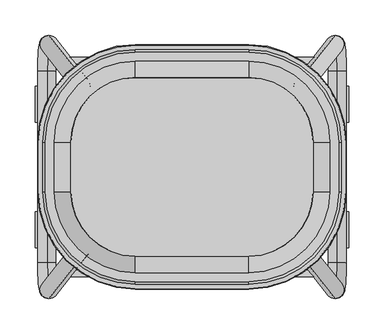
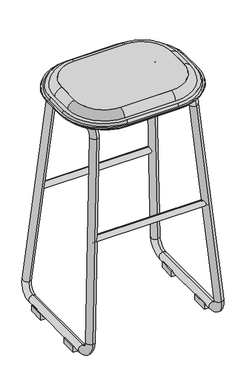
"""IFC4 building model written with IfcOpenShell, lengths in millimetres: furniture geometry."""

from ifc_helpers import new_model, si_unit, point, frame, frame_2d, origin, place, context, project, spatial, polyline, circle_curve, ellipse_curve, trimmed, segment, composite_curve, outline, extrude, source, transform, mapped, element, save
from ifc_brep_helpers import plane_surface, cylinder_surface, revolved_surface, advanced_brep


def furniture_339a647d(model_context):
    return source(origin(), model_context, "Body", "SolidModel", [
        advanced_brep(
        [(-171.9189031, -34.925, 774.7), (-80.1154768, -126.7284262, 774.7), (80.1154768, -126.7284262, 774.7), (171.9189031, -34.925, 774.7), (171.9189031, 34.925, 774.7), (80.1154768, 126.7284262, 774.7), (-80.1154768, 126.7284262, 774.7), (-171.9189031, 34.925, 774.7), (-178.5135382, -34.925, 730.2750418), (-178.5135382, 34.925, 730.2750418), (-80.1154768, 133.3230614, 730.2750418), (80.1154768, 133.3230614, 730.2750418), (178.5135382, 34.925, 730.2750418), (178.5135382, -34.925, 730.2750418), (80.1154768, -133.3230614, 730.2750418), (-80.1154768, -133.3230614, 730.2750418)],
        [
            (0, 1, circle_curve(frame((-80.1154768, -34.925, 774.7), z_axis=(0.0, 0.0, 1.0), x_axis=(-1.0000000000000002, 0.0, 0.0)), 91.8034262)),
            (1, 2),
            (2, 3, circle_curve(frame((80.1154768, -34.925, 774.7), z_axis=(0.0, 0.0, 1.0), x_axis=(0.0, -1.0000000000000002, 0.0)), 91.8034262)),
            (3, 4),
            (4, 5, circle_curve(frame((80.1154768, 34.925, 774.7), z_axis=(0.0, 0.0, 1.0), x_axis=(1.0000000000000002, 0.0, 0.0)), 91.8034262)),
            (5, 6),
            (6, 7, circle_curve(frame((-80.1154768, 34.925, 774.7), z_axis=(0.0, 0.0, 1.0), x_axis=(0.0, 1.0000000000000002, 0.0)), 91.8034262)),
            (7, 0),
            (8, 9),
            (9, 10, circle_curve(frame((-80.1154768, 34.925, 730.2750418), z_axis=(0.0, 0.0, -1.0), x_axis=(0.0, 1.0000000000000002, 0.0)), 98.3980614)),
            (10, 11),
            (11, 12, circle_curve(frame((80.1154768, 34.925, 730.2750418), z_axis=(0.0, 0.0, -1.0), x_axis=(1.0000000000000002, 0.0, 0.0)), 98.3980614)),
            (12, 13),
            (13, 14, circle_curve(frame((80.1154768, -34.925, 730.2750418), z_axis=(0.0, 0.0, -1.0), x_axis=(0.0, -1.0000000000000002, 0.0)), 98.3980614)),
            (14, 15),
            (15, 8, circle_curve(frame((-80.1154768, -34.925, 730.2750418), z_axis=(0.0, 0.0, -1.0), x_axis=(-1.0000000000000002, 0.0, 0.0)), 98.3980614)),
            (15, 1),
            (0, 8),
            (14, 2),
            (13, 3),
            (12, 4),
            (11, 5),
            (10, 6),
            (9, 7),
        ],
        [
            plane_surface(frame((0.0, 0.0, 774.7), z_axis=(0.0, 0.0, 1.0), x_axis=(1.0, 0.0, 0.0))),
            plane_surface(frame((0.0, 0.0, 730.2750418), z_axis=(0.0, 0.0, -1.0), x_axis=(1.0, 0.0, 0.0))),
            revolved_surface(polyline([(-171.91890304995738, -34.925, 774.7), (-178.5135382, -34.925, 730.2750418)]), (-80.1154768, -34.925, 1393.1365444), (0.0, 0.0, -1.0)),
            plane_surface(frame((0.0, -133.3230614, 730.2750418), z_axis=(0.0, -0.989160943328851, 0.14683537786507003), x_axis=(1.0, 0.0, 0.0))),
            revolved_surface(polyline([(80.1154768, -126.72842624995738, 774.7), (80.1154768, -133.3230614, 730.2750418)]), (80.1154768, -34.925, 1393.1365444), (0.0, 0.0, -1.0)),
            plane_surface(frame((178.5135382, 0.0, 730.2750418), z_axis=(0.9891609433288493, 0.0, 0.14683537786508108), x_axis=(0.0, 1.0, 0.0))),
            revolved_surface(polyline([(171.91890304995738, 34.925, 774.7), (178.5135382, 34.925, 730.2750418)]), (80.1154768, 34.925, 1393.1365444), (0.0, 0.0, -1.0)),
            plane_surface(frame((0.0, 133.3230614, 730.2750418), z_axis=(0.0, 0.9891609433288517, 0.14683537786506412), x_axis=(-1.0, 0.0, 0.0))),
            revolved_surface(polyline([(-80.1154768, 126.72842624995738, 774.7), (-80.1154768, 133.3230614, 730.2750418)]), (-80.1154768, 34.925, 1393.1365444), (0.0, 0.0, -1.0)),
            plane_surface(frame((-178.5135382, 0.0, 730.2750418), z_axis=(-0.989160943328849, 0.0, 0.14683537786508405), x_axis=(0.0, -1.0, 0.0))),
        ],
        [
            (0, [[1, 2, 3, 4, 5, 6, 7, 8]]),
            (1, [[9, 10, 11, 12, 13, 14, 15, 16]]),
            (2, [[-16, 17, -1, 18]]),
            (3, [[-15, 19, -2, -17]]),
            (4, [[-14, 20, -3, -19]]),
            (5, [[-13, 21, -4, -20]]),
            (6, [[-12, 22, -5, -21]]),
            (7, [[-11, 23, -6, -22]]),
            (8, [[-10, 24, -7, -23]]),
            (9, [[-9, -18, -8, -24]]),
        ],
    ),
        advanced_brep(
        [(80.1154768, 126.7284262, 774.7), (-80.1154768, 126.7284262, 774.7), (-80.1154768, 133.3230614, 730.2750418), (80.1154768, 133.3230614, 730.2750418), (80.1154768, 149.9409798, 753.7993229), (-80.1154768, 149.9409798, 753.7993229), (-80.1154768, 127.3919978, 774.7097382), (-207.8314566, 34.925, 753.7993229), (-207.8314566, -34.925, 753.7993229), (-80.1154768, -162.6409798, 753.7993229), (80.1154768, -162.6409798, 753.7993229), (207.8314566, -34.925, 753.7993229), (207.8314566, 34.925, 753.7993229), (80.1154768, 162.6409798, 753.7993229), (-80.1154768, 162.6409798, 753.7993229), (195.1314566, 34.925, 753.7993229), (195.1314566, -34.925, 753.7993229), (80.1154768, -149.9409798, 753.7993229), (-80.1154768, -149.9409798, 753.7993229), (-195.1314566, -34.925, 753.7993229), (-195.1314566, 34.925, 753.7993229), (80.1154768, 166.2791169, 745.9973126), (-80.1154768, 166.2791169, 745.9973126), (-217.8195937, 34.925, 745.9973126), (-217.8195937, -34.925, 745.9973126), (-80.1154768, -172.6291169, 745.9973126), (80.1154768, -172.6291169, 745.9973126), (217.8195937, -34.925, 745.9973126), (217.8195937, 34.925, 745.9973126), (80.1154768, 172.6291169, 745.9973126), (-80.1154768, 172.6291169, 745.9973126), (211.4695937, 34.925, 745.9973126), (211.4695937, -34.925, 745.9973126), (80.1154768, -166.2791169, 745.9973126), (-80.1154768, -166.2791169, 745.9973126), (-211.4695937, -34.925, 745.9973126), (-211.4695937, 34.925, 745.9973126), (80.1154768, 173.4175169, 743.0549637), (-80.1154768, 173.4175169, 743.0549637), (218.6079938, 34.925, 743.0549637), (218.6079938, -34.925, 743.0549637), (80.1154768, -173.4175169, 743.0549637), (-80.1154768, -173.4175169, 743.0549637), (-218.6079938, -34.925, 743.0549637), (-218.6079938, 34.925, 743.0549637), (-212.2579938, 34.925, 743.0549637), (-212.2579938, -34.925, 743.0549637), (-80.1154768, -167.0675169, 743.0549637), (80.1154768, -167.0675169, 743.0549637), (212.2579938, -34.925, 743.0549637), (212.2579938, 34.925, 743.0549637), (80.1154768, 167.0675169, 743.0549637), (-80.1154768, 167.0675169, 743.0549637), (80.1154768, 163.4840689, 733.2095211), (-80.1154768, 163.4840689, 733.2095211), (171.9189031, 34.925, 774.7), (178.5135382, 34.925, 730.2750418), (208.6745457, 34.925, 733.2095211), (171.9189031, -34.925, 774.7), (178.5135382, -34.925, 730.2750418), (208.6745457, -34.925, 733.2095211), (80.1154768, -126.7284262, 774.7), (80.1154768, -133.3230614, 730.2750418), (80.1154768, -163.4840689, 733.2095211), (-80.1154768, -133.3230614, 730.2750418), (-80.1154768, -126.7284262, 774.7), (-80.1154768, -163.4840689, 733.2095211), (-171.9189031, 34.925, 774.7), (-178.5135382, 34.925, 730.2750418), (-208.6745457, 34.925, 733.2095211), (-178.5135382, -34.925, 730.2750418), (-171.9189031, -34.925, 774.7), (-208.6745457, -34.925, 733.2095211)],
        [
            (0, 1),
            (1, 2),
            (2, 3),
            (3, 0),
            (0, 4, circle_curve(frame((80.1154768, 127.3919978, 752.0965561), z_axis=(-1.0, 0.0, 0.0), x_axis=(0.0, 1.0000000000000002, 0.0)), 22.6131821)),
            (4, 5),
            (5, 6, circle_curve(frame((-80.1154768, 127.3919978, 752.0965561), z_axis=(1.0, 0.0, 0.0), x_axis=(0.0, 1.0000000000000002, 0.0)), 22.6131821)),
            (6, 1, circle_curve(frame((-80.1154768, 127.3919978, 752.0965561), z_axis=(1.0, 0.0, 0.0), x_axis=(0.0, 1.0000000000000002, 0.0)), 22.6131821)),
            (7, 8),
            (8, 9, circle_curve(frame((-80.1154768, -34.925, 753.7993229), z_axis=(0.0, 0.0, 1.0), x_axis=(-1.0000000000000002, 0.0, 0.0)), 127.7159798)),
            (9, 10),
            (10, 11, circle_curve(frame((80.1154768, -34.925, 753.7993229), z_axis=(0.0, 0.0, 1.0), x_axis=(1.0000000000000002, 0.0, 0.0)), 127.7159798)),
            (11, 12),
            (12, 13, circle_curve(frame((80.1154768, 34.925, 753.7993229), z_axis=(0.0, 0.0, 1.0), x_axis=(1.0000000000000002, 0.0, 0.0)), 127.7159798)),
            (13, 14),
            (14, 7, circle_curve(frame((-80.1154768, 34.925, 753.7993229), z_axis=(0.0, 0.0, 1.0), x_axis=(-1.0000000000000002, 0.0, 0.0)), 127.7159798)),
            (4, 15, circle_curve(frame((80.1154768, 34.925, 753.7993229), z_axis=(0.0, 0.0, -1.0), x_axis=(1.0000000000000002, 0.0, 0.0)), 115.0159798)),
            (15, 16),
            (16, 17, circle_curve(frame((80.1154768, -34.925, 753.7993229), z_axis=(0.0, 0.0, -1.0), x_axis=(1.0000000000000002, 0.0, 0.0)), 115.0159798)),
            (17, 18),
            (18, 19, circle_curve(frame((-80.1154768, -34.925, 753.7993229), z_axis=(0.0, 0.0, -1.0), x_axis=(-1.0000000000000002, 0.0, 0.0)), 115.0159798)),
            (19, 20),
            (20, 5, circle_curve(frame((-80.1154768, 34.925, 753.7993229), z_axis=(0.0, 0.0, -1.0), x_axis=(-1.0000000000000002, 0.0, 0.0)), 115.0159798)),
            (13, 21, circle_curve(frame((80.1154768, 153.8392427, 744.9457548), z_axis=(-1.0, 0.0, 0.0), x_axis=(0.0, 1.0000000000000002, 0.0)), 12.4842398)),
            (21, 22),
            (22, 14, circle_curve(frame((-80.1154768, 153.8392427, 744.9457548), z_axis=(1.0, 0.0, 0.0), x_axis=(0.0, 1.0000000000000002, 0.0)), 12.4842398)),
            (23, 24),
            (24, 25, circle_curve(frame((-80.1154768, -34.925, 745.9973126), z_axis=(0.0, 0.0, 1.0), x_axis=(-1.0000000000000002, 0.0, 0.0)), 137.7041169)),
            (25, 26),
            (26, 27, circle_curve(frame((80.1154768, -34.925, 745.9973126), z_axis=(0.0, 0.0, 1.0), x_axis=(1.0000000000000002, 0.0, 0.0)), 137.7041169)),
            (27, 28),
            (28, 29, circle_curve(frame((80.1154768, 34.925, 745.9973126), z_axis=(0.0, 0.0, 1.0), x_axis=(1.0000000000000002, 0.0, 0.0)), 137.7041169)),
            (29, 30),
            (30, 23, circle_curve(frame((-80.1154768, 34.925, 745.9973126), z_axis=(0.0, 0.0, 1.0), x_axis=(-1.0000000000000002, 0.0, 0.0)), 137.7041169)),
            (21, 31, circle_curve(frame((80.1154768, 34.925, 745.9973126), z_axis=(0.0, 0.0, -1.0), x_axis=(1.0000000000000002, 0.0, 0.0)), 131.3541169)),
            (31, 32),
            (32, 33, circle_curve(frame((80.1154768, -34.925, 745.9973126), z_axis=(0.0, 0.0, -1.0), x_axis=(1.0000000000000002, 0.0, 0.0)), 131.3541169)),
            (33, 34),
            (34, 35, circle_curve(frame((-80.1154768, -34.925, 745.9973126), z_axis=(0.0, 0.0, -1.0), x_axis=(-1.0000000000000002, 0.0, 0.0)), 131.3541169)),
            (35, 36),
            (36, 22, circle_curve(frame((-80.1154768, 34.925, 745.9973126), z_axis=(0.0, 0.0, -1.0), x_axis=(-1.0000000000000002, 0.0, 0.0)), 131.3541169)),
            (29, 37),
            (37, 38),
            (38, 30),
            (37, 39, circle_curve(frame((80.1154768, 34.925, 743.0549637), z_axis=(0.0, 0.0, -1.0), x_axis=(1.0000000000000002, 0.0, 0.0)), 138.4925169)),
            (39, 40),
            (40, 41, circle_curve(frame((80.1154768, -34.925, 743.0549637), z_axis=(0.0, 0.0, -1.0), x_axis=(1.0000000000000002, 0.0, 0.0)), 138.4925169)),
            (41, 42),
            (42, 43, circle_curve(frame((-80.1154768, -34.925, 743.0549637), z_axis=(0.0, 0.0, -1.0), x_axis=(-1.0000000000000002, 0.0, 0.0)), 138.4925169)),
            (43, 44),
            (44, 38, circle_curve(frame((-80.1154768, 34.925, 743.0549637), z_axis=(0.0, 0.0, -1.0), x_axis=(-1.0000000000000002, 0.0, 0.0)), 138.4925169)),
            (45, 46),
            (46, 47, circle_curve(frame((-80.1154768, -34.925, 743.0549637), z_axis=(0.0, 0.0, 1.0), x_axis=(-1.0000000000000002, 0.0, 0.0)), 132.1425169)),
            (47, 48),
            (48, 49, circle_curve(frame((80.1154768, -34.925, 743.0549637), z_axis=(0.0, 0.0, 1.0), x_axis=(1.0000000000000002, 0.0, 0.0)), 132.1425169)),
            (49, 50),
            (50, 51, circle_curve(frame((80.1154768, 34.925, 743.0549637), z_axis=(0.0, 0.0, 1.0), x_axis=(1.0000000000000002, 0.0, 0.0)), 132.1425169)),
            (51, 52),
            (52, 45, circle_curve(frame((-80.1154768, 34.925, 743.0549637), z_axis=(0.0, 0.0, 1.0), x_axis=(-1.0000000000000002, 0.0, 0.0)), 132.1425169)),
            (51, 53, circle_curve(frame((80.1154768, 148.476041, 744.246852), z_axis=(-1.0, 0.0, 0.0), x_axis=(0.0, 1.0000000000000002, 0.0)), 18.6296423)),
            (53, 54),
            (54, 52, circle_curve(frame((-80.1154768, 148.476041, 744.246852), z_axis=(1.0, 0.0, 0.0), x_axis=(0.0, 1.0000000000000002, 0.0)), 18.6296423)),
            (2, 54),
            (53, 3),
            (0, 55, circle_curve(frame((80.1154768, 34.925, 774.7), z_axis=(0.0, 0.0, -1.0), x_axis=(1.0000000000000002, 0.0, 0.0)), 91.8034262)),
            (55, 15, circle_curve(frame((172.5824746, 34.925, 752.0965561), z_axis=(0.0, 1.0000000000000002, 0.0), x_axis=(0.0, 0.0, 1.0)), 22.6131821)),
            (3, 56, circle_curve(frame((80.1154768, 34.925, 730.2750418), z_axis=(0.0, 0.0, -1.0), x_axis=(1.0000000000000002, 0.0, 0.0)), 98.3980614)),
            (56, 55),
            (53, 57, circle_curve(frame((80.1154768, 34.925, 733.2095211), z_axis=(0.0, 0.0, -1.0), x_axis=(1.0000000000000002, 0.0, 0.0)), 128.5590689)),
            (57, 56),
            (50, 57, circle_curve(frame((193.6665179, 34.925, 744.246852), z_axis=(0.0, 1.0000000000000002, 0.0), x_axis=(0.0, 0.0, 1.0)), 18.6296423)),
            (28, 39),
            (12, 31, circle_curve(frame((199.0297195, 34.925, 744.9457548), z_axis=(0.0, 1.0000000000000002, 0.0), x_axis=(0.0, 0.0, 1.0)), 12.4842398)),
            (58, 55),
            (56, 59),
            (59, 58),
            (57, 60),
            (60, 59),
            (49, 60, circle_curve(frame((193.6665179, -34.925, 744.246852), z_axis=(0.0, 1.0, 0.0), x_axis=(0.0, 0.0, 1.0)), 18.6296423)),
            (27, 40),
            (11, 32, circle_curve(frame((199.0297195, -34.925, 744.9457548), z_axis=(0.0, 1.0, 0.0), x_axis=(0.0, 0.0, 1.0)), 12.4842398)),
            (58, 16, circle_curve(frame((172.5824746, -34.925, 752.0965561), z_axis=(0.0, 1.0, 0.0), x_axis=(0.0, 0.0, 1.0)), 22.6131821)),
            (58, 61, circle_curve(frame((80.1154768, -34.925, 774.7), z_axis=(0.0, 0.0, -1.0), x_axis=(1.0000000000000002, 0.0, 0.0)), 91.8034262)),
            (61, 17, circle_curve(frame((80.1154768, -127.3919978, 752.0965561), z_axis=(1.0000000000000002, 0.0, 0.0), x_axis=(0.0, 0.0, 1.0)), 22.6131821)),
            (59, 62, circle_curve(frame((80.1154768, -34.925, 730.2750418), z_axis=(0.0, 0.0, -1.0), x_axis=(1.0000000000000002, 0.0, 0.0)), 98.3980614)),
            (62, 61),
            (60, 63, circle_curve(frame((80.1154768, -34.925, 733.2095211), z_axis=(0.0, 0.0, -1.0), x_axis=(1.0000000000000002, 0.0, 0.0)), 128.5590689)),
            (63, 62),
            (48, 63, circle_curve(frame((80.1154768, -148.476041, 744.246852), z_axis=(1.0000000000000002, 0.0, 0.0), x_axis=(0.0, 0.0, 1.0)), 18.6296423)),
            (26, 41),
            (10, 33, circle_curve(frame((80.1154768, -153.8392427, 744.9457548), z_axis=(1.0000000000000002, 0.0, 0.0), x_axis=(0.0, 0.0, 1.0)), 12.4842398)),
            (62, 64),
            (64, 65),
            (65, 61),
            (65, 18, circle_curve(frame((-80.1154768, -127.3919978, 752.0965561), z_axis=(1.0, 0.0, 0.0), x_axis=(0.0, -1.0000000000000002, 0.0)), 22.6131821)),
            (9, 34, circle_curve(frame((-80.1154768, -153.8392427, 744.9457548), z_axis=(1.0, 0.0, 0.0), x_axis=(0.0, -1.0000000000000002, 0.0)), 12.4842398)),
            (25, 42),
            (47, 66, circle_curve(frame((-80.1154768, -148.476041, 744.246852), z_axis=(1.0, 0.0, 0.0), x_axis=(0.0, -1.0000000000000002, 0.0)), 18.6296423)),
            (66, 63),
            (66, 64),
            (20, 67, circle_curve(frame((-172.5824746, 34.925, 752.0965561), z_axis=(0.0, 1.0000000000000002, 0.0), x_axis=(0.0, 0.0, 1.0)), 22.6131821)),
            (67, 1, circle_curve(frame((-80.1154768, 34.925, 774.7), z_axis=(0.0, 0.0, -1.0), x_axis=(-1.0000000000000002, 0.0, 0.0)), 91.8034262)),
            (67, 68),
            (68, 2, circle_curve(frame((-80.1154768, 34.925, 730.2750418), z_axis=(0.0, 0.0, -1.0), x_axis=(-1.0000000000000002, 0.0, 0.0)), 98.3980614)),
            (68, 69),
            (69, 54, circle_curve(frame((-80.1154768, 34.925, 733.2095211), z_axis=(0.0, 0.0, -1.0), x_axis=(-1.0000000000000002, 0.0, 0.0)), 128.5590689)),
            (69, 45, circle_curve(frame((-193.6665179, 34.925, 744.246852), z_axis=(0.0, 1.0000000000000002, 0.0), x_axis=(0.0, 0.0, 1.0)), 18.6296423)),
            (44, 23),
            (36, 7, circle_curve(frame((-199.0297195, 34.925, 744.9457548), z_axis=(0.0, 1.0000000000000002, 0.0), x_axis=(0.0, 0.0, 1.0)), 12.4842398)),
            (70, 68),
            (67, 71),
            (71, 70),
            (70, 72),
            (72, 69),
            (72, 46, circle_curve(frame((-193.6665179, -34.925, 744.246852), z_axis=(0.0, 1.0, 0.0), x_axis=(0.0, 0.0, 1.0)), 18.6296423)),
            (43, 24),
            (35, 8, circle_curve(frame((-199.0297195, -34.925, 744.9457548), z_axis=(0.0, 1.0, 0.0), x_axis=(0.0, 0.0, 1.0)), 12.4842398)),
            (19, 71, circle_curve(frame((-172.5824746, -34.925, 752.0965561), z_axis=(0.0, 1.0, 0.0), x_axis=(0.0, 0.0, 1.0)), 22.6131821)),
            (65, 71, circle_curve(frame((-80.1154768, -34.925, 774.7), z_axis=(0.0, 0.0, -1.0), x_axis=(-1.0000000000000002, 0.0, 0.0)), 91.8034262)),
            (64, 70, circle_curve(frame((-80.1154768, -34.925, 730.2750418), z_axis=(0.0, 0.0, -1.0), x_axis=(-1.0000000000000002, 0.0, 0.0)), 98.3980614)),
            (66, 72, circle_curve(frame((-80.1154768, -34.925, 733.2095211), z_axis=(0.0, 0.0, -1.0), x_axis=(-1.0000000000000002, 0.0, 0.0)), 128.5590689)),
        ],
        [
            plane_surface(frame((80.1154768, 126.7284262, 774.7), z_axis=(0.0, -0.9891609433288518, -0.1468353778650639), x_axis=(-1.0, 0.0, 0.0))),
            cylinder_surface(frame((-80.1154768, 127.3919978, 752.0965561), z_axis=(1.0000000000000002, 0.0, 0.0), x_axis=(0.0, 1.0000000000000002, 0.0)), 22.6131821),
            plane_surface(frame((80.1154768, 162.6409798, 753.7993229), z_axis=(0.0, 0.0, 1.0), x_axis=(-1.0, 0.0, 0.0))),
            cylinder_surface(frame((-80.1154768, 153.8392427, 744.9457548), z_axis=(1.0000000000000002, 0.0, 0.0), x_axis=(0.0, 1.0000000000000002, 0.0)), 12.4842398),
            plane_surface(frame((80.1154768, 172.6291169, 745.9973126), z_axis=(0.0, 0.0, 1.0), x_axis=(-1.0, 0.0, 0.0))),
            plane_surface(frame((80.1154768, 173.4175169, 743.0549637), z_axis=(0.0, 0.9659258262890752, 0.2588190451024952), x_axis=(-1.0, 0.0, 0.0))),
            plane_surface(frame((80.1154768, 167.0675169, 743.0549637), z_axis=(0.0, 0.0, -1.0), x_axis=(-1.0, 0.0, 0.0))),
            cylinder_surface(frame((-80.1154768, 148.476041, 744.246852), z_axis=(1.0000000000000002, 0.0, 0.0), x_axis=(0.0, 1.0000000000000002, 0.0)), 18.6296423),
            plane_surface(frame((80.1154768, 133.3230614, 730.2750418), z_axis=(0.0, 0.09683655773188508, -0.9953002969388883), x_axis=(-1.0, 0.0, 0.0))),
            revolved_surface(trimmed(ellipse_curve(frame((172.5824746, 34.925, 752.0965561), z_axis=(0.0, -1.0000000000000002, 0.0), x_axis=(0.0, 0.0, 1.0)), 22.6131821, 22.6131821), [point((195.1314566, 34.925, 753.7993229))], [point((171.9189031, 34.925, 774.7))], True, "CARTESIAN"), (80.1154768, 34.925, 866.2574778), (0.0, 0.0, 1.0)),
            revolved_surface(polyline([(171.9189031, 34.925, 774.7), (178.5135382, 34.925, 730.2750418)]), (80.1154768, 34.925, 866.2574778), (0.0, 0.0, 1.0)),
            revolved_surface(polyline([(178.5135382, 34.925, 730.2750418), (208.6745457, 34.925, 733.2095211)]), (80.1154768, 34.925, 866.2574778), (0.0, 0.0, 1.0)),
            revolved_surface(trimmed(ellipse_curve(frame((193.6665179, 34.925, 744.246852), z_axis=(0.0, -1.0000000000000002, 0.0), x_axis=(0.0, 0.0, 1.0)), 18.6296423, 18.6296423), [point((208.6745457, 34.925, 733.2095211))], [point((212.2579938, 34.925, 743.0549637))], True, "CARTESIAN"), (80.1154768, 34.925, 866.2574778), (0.0, 0.0, 1.0)),
            revolved_surface(polyline([(218.6079938, 34.925, 743.0549637), (217.8195937, 34.925, 745.9973126)]), (80.1154768, 34.925, 866.2574778), (0.0, 0.0, 1.0)),
            revolved_surface(trimmed(ellipse_curve(frame((199.0297195, 34.925, 744.9457548), z_axis=(0.0, -1.0000000000000002, 0.0), x_axis=(0.0, 0.0, 1.0)), 12.4842398, 12.4842398), [point((211.4695937, 34.925, 745.9973126))], [point((207.8314566, 34.925, 753.7993229))], True, "CARTESIAN"), (80.1154768, 34.925, 866.2574778), (0.0, 0.0, 1.0)),
            plane_surface(frame((171.9189031, -34.925, 774.7), z_axis=(-0.9891609433288493, 0.0, -0.14683537786508108), x_axis=(0.0, 1.0, 0.0))),
            plane_surface(frame((178.5135382, -34.925, 730.2750418), z_axis=(0.09683655773190229, 0.0, -0.9953002969388867), x_axis=(0.0, 1.0, 0.0))),
            cylinder_surface(frame((193.6665179, 34.925, 744.246852), z_axis=(0.0, -1.0000000000000002, 0.0), x_axis=(0.0, 0.0, 1.0)), 18.6296423),
            plane_surface(frame((218.6079938, -34.925, 743.0549637), z_axis=(0.9659258262890694, 0.0, 0.2588190451025166), x_axis=(0.0, 1.0, 0.0))),
            cylinder_surface(frame((199.0297195, 34.925, 744.9457548), z_axis=(0.0, -1.0000000000000002, 0.0), x_axis=(0.0, 0.0, 1.0)), 12.4842398),
            cylinder_surface(frame((172.5824746, 34.925, 752.0965561), z_axis=(0.0, -1.0000000000000002, 0.0), x_axis=(0.0, 0.0, 1.0)), 22.6131821),
            revolved_surface(trimmed(ellipse_curve(frame((172.5824746, -34.925, 752.0965561), z_axis=(0.0, 1.0000000000000002, 0.0), x_axis=(0.0, 0.0, 1.0)), 22.6131821, 22.6131821), [point((171.9189031, -34.925, 774.7))], [point((195.1314566, -34.925, 753.7993229))], True, "CARTESIAN"), (80.1154768, -34.925, 866.2574778), (0.0, 0.0, -1.0)),
            revolved_surface(polyline([(178.5135382, -34.925, 730.2750418), (171.9189031, -34.925, 774.7)]), (80.1154768, -34.925, 866.2574778), (0.0, 0.0, -1.0)),
            revolved_surface(polyline([(208.6745457, -34.925, 733.2095211), (178.5135382, -34.925, 730.2750418)]), (80.1154768, -34.925, 866.2574778), (0.0, 0.0, -1.0)),
            revolved_surface(trimmed(ellipse_curve(frame((193.6665179, -34.925, 744.246852), z_axis=(0.0, 1.0000000000000002, 0.0), x_axis=(0.0, 0.0, 1.0)), 18.6296423, 18.6296423), [point((212.2579938, -34.925, 743.0549637))], [point((208.6745457, -34.925, 733.2095211))], True, "CARTESIAN"), (80.1154768, -34.925, 866.2574778), (0.0, 0.0, -1.0)),
            revolved_surface(polyline([(217.8195937, -34.925, 745.9973126), (218.6079938, -34.925, 743.0549637)]), (80.1154768, -34.925, 866.2574778), (0.0, 0.0, -1.0)),
            revolved_surface(trimmed(ellipse_curve(frame((199.0297195, -34.925, 744.9457548), z_axis=(0.0, 1.0000000000000002, 0.0), x_axis=(0.0, 0.0, 1.0)), 12.4842398, 12.4842398), [point((207.8314566, -34.925, 753.7993229))], [point((211.4695937, -34.925, 745.9973126))], True, "CARTESIAN"), (80.1154768, -34.925, 866.2574778), (0.0, 0.0, -1.0)),
            plane_surface(frame((80.1154768, -133.3230614, 730.2750418), z_axis=(0.0, 0.9891609433288518, -0.14683537786506393), x_axis=(-1.0, 0.0, 0.0))),
            cylinder_surface(frame((-80.1154768, -127.3919978, 752.0965561), z_axis=(1.0000000000000002, 0.0, 0.0), x_axis=(0.0, -1.0000000000000002, 0.0)), 22.6131821),
            cylinder_surface(frame((-80.1154768, -153.8392427, 744.9457548), z_axis=(1.0000000000000002, 0.0, 0.0), x_axis=(0.0, -1.0000000000000002, 0.0)), 12.4842398),
            plane_surface(frame((80.1154768, -172.6291169, 745.9973126), z_axis=(0.0, -0.9659258262890752, 0.2588190451024952), x_axis=(-1.0, 0.0, 0.0))),
            cylinder_surface(frame((-80.1154768, -148.476041, 744.246852), z_axis=(1.0000000000000002, 0.0, 0.0), x_axis=(0.0, -1.0000000000000002, 0.0)), 18.6296423),
            plane_surface(frame((80.1154768, -163.4840689, 733.2095211), z_axis=(0.0, -0.0968365577318848, -0.9953002969388883), x_axis=(-1.0, 0.0, 0.0))),
            revolved_surface(trimmed(ellipse_curve(frame((-172.5824746, 34.925, 752.0965561), z_axis=(0.0, -1.0000000000000002, 0.0), x_axis=(0.0, 0.0, 1.0)), 22.6131821, 22.6131821), [point((-171.9189031, 34.925, 774.7))], [point((-195.1314566, 34.925, 753.7993229))], True, "CARTESIAN"), (-80.1154768, 34.925, 866.2574778), (0.0, 0.0, -1.0)),
            revolved_surface(polyline([(-178.5135382, 34.925, 730.2750418), (-171.9189031, 34.925, 774.7)]), (-80.1154768, 34.925, 866.2574778), (0.0, 0.0, -1.0)),
            revolved_surface(polyline([(-208.6745457, 34.925, 733.2095211), (-178.5135382, 34.925, 730.2750418)]), (-80.1154768, 34.925, 866.2574778), (0.0, 0.0, -1.0)),
            revolved_surface(trimmed(ellipse_curve(frame((-193.6665179, 34.925, 744.246852), z_axis=(0.0, -1.0000000000000002, 0.0), x_axis=(0.0, 0.0, 1.0)), 18.6296423, 18.6296423), [point((-212.2579938, 34.925, 743.0549637))], [point((-208.6745457, 34.925, 733.2095211))], True, "CARTESIAN"), (-80.1154768, 34.925, 866.2574778), (0.0, 0.0, -1.0)),
            revolved_surface(polyline([(-217.8195937, 34.925, 745.9973126), (-218.6079938, 34.925, 743.0549637)]), (-80.1154768, 34.925, 866.2574778), (0.0, 0.0, -1.0)),
            revolved_surface(trimmed(ellipse_curve(frame((-199.0297195, 34.925, 744.9457548), z_axis=(0.0, -1.0000000000000002, 0.0), x_axis=(0.0, 0.0, 1.0)), 12.4842398, 12.4842398), [point((-207.8314566, 34.925, 753.7993229))], [point((-211.4695937, 34.925, 745.9973126))], True, "CARTESIAN"), (-80.1154768, 34.925, 866.2574778), (0.0, 0.0, -1.0)),
            plane_surface(frame((-178.5135382, -34.925, 730.2750418), z_axis=(0.9891609433288493, 0.0, -0.14683537786508108), x_axis=(0.0, 1.0, 0.0))),
            plane_surface(frame((-208.6745457, -34.925, 733.2095211), z_axis=(-0.09683655773190229, 0.0, -0.9953002969388867), x_axis=(0.0, 1.0, 0.0))),
            cylinder_surface(frame((-193.6665179, 34.925, 744.246852), z_axis=(0.0, -1.0000000000000002, 0.0), x_axis=(0.0, 0.0, 1.0)), 18.6296423),
            plane_surface(frame((-217.8195937, -34.925, 745.9973126), z_axis=(-0.9659258262890694, 0.0, 0.2588190451025166), x_axis=(0.0, 1.0, 0.0))),
            cylinder_surface(frame((-199.0297195, 34.925, 744.9457548), z_axis=(0.0, -1.0000000000000002, 0.0), x_axis=(0.0, 0.0, 1.0)), 12.4842398),
            cylinder_surface(frame((-172.5824746, 34.925, 752.0965561), z_axis=(0.0, -1.0000000000000002, 0.0), x_axis=(0.0, 0.0, 1.0)), 22.6131821),
            revolved_surface(trimmed(ellipse_curve(frame((-172.5824746, -34.925, 752.0965561), z_axis=(0.0, 1.0000000000000002, 0.0), x_axis=(0.0, 0.0, 1.0)), 22.6131821, 22.6131821), [point((-195.1314566, -34.925, 753.7993229))], [point((-171.9189031, -34.925, 774.7))], True, "CARTESIAN"), (-80.1154768, -34.925, 866.2574778), (0.0, 0.0, 1.0)),
            revolved_surface(polyline([(-171.9189031, -34.925, 774.7), (-178.5135382, -34.925, 730.2750418)]), (-80.1154768, -34.925, 866.2574778), (0.0, 0.0, 1.0)),
            revolved_surface(polyline([(-178.5135382, -34.925, 730.2750418), (-208.6745457, -34.925, 733.2095211)]), (-80.1154768, -34.925, 866.2574778), (0.0, 0.0, 1.0)),
            revolved_surface(trimmed(ellipse_curve(frame((-193.6665179, -34.925, 744.246852), z_axis=(0.0, 1.0000000000000002, 0.0), x_axis=(0.0, 0.0, 1.0)), 18.6296423, 18.6296423), [point((-208.6745457, -34.925, 733.2095211))], [point((-212.2579938, -34.925, 743.0549637))], True, "CARTESIAN"), (-80.1154768, -34.925, 866.2574778), (0.0, 0.0, 1.0)),
            revolved_surface(polyline([(-218.6079938, -34.925, 743.0549637), (-217.8195937, -34.925, 745.9973126)]), (-80.1154768, -34.925, 866.2574778), (0.0, 0.0, 1.0)),
            revolved_surface(trimmed(ellipse_curve(frame((-199.0297195, -34.925, 744.9457548), z_axis=(0.0, 1.0000000000000002, 0.0), x_axis=(0.0, 0.0, 1.0)), 12.4842398, 12.4842398), [point((-211.4695937, -34.925, 745.9973126))], [point((-207.8314566, -34.925, 753.7993229))], True, "CARTESIAN"), (-80.1154768, -34.925, 866.2574778), (0.0, 0.0, 1.0)),
        ],
        [
            (0, [[1, 2, 3, 4]]),
            (1, [[-1, 5, 6, 7, 8]]),
            (2, [[9, 10, 11, 12, 13, 14, 15, 16], [-6, 17, 18, 19, 20, 21, 22, 23]]),
            (3, [[-15, 24, 25, 26]]),
            (4, [[27, 28, 29, 30, 31, 32, 33, 34], [-25, 35, 36, 37, 38, 39, 40, 41]]),
            (5, [[-33, 42, 43, 44]]),
            (6, [[-43, 45, 46, 47, 48, 49, 50, 51], [52, 53, 54, 55, 56, 57, 58, 59]]),
            (7, [[-58, 60, 61, 62]]),
            (8, [[-3, 63, -61, 64]]),
            (9, [[65, 66, -17, -5]]),
            (10, [[-65, -4, 67, 68]]),
            (11, [[-67, -64, 69, 70]]),
            (12, [[-69, -60, -57, 71]]),
            (13, [[-45, -42, -32, 72]]),
            (14, [[-35, -24, -14, 73]]),
            (15, [[74, -68, 75, 76]]),
            (16, [[-75, -70, 77, 78]]),
            (17, [[-77, -71, -56, 79]]),
            (18, [[-46, -72, -31, 80]]),
            (19, [[-36, -73, -13, 81]]),
            (20, [[-74, 82, -18, -66]]),
            (21, [[-19, -82, 83, 84]]),
            (22, [[-83, -76, 85, 86]]),
            (23, [[-85, -78, 87, 88]]),
            (24, [[-87, -79, -55, 89]]),
            (25, [[-47, -80, -30, 90]]),
            (26, [[-37, -81, -12, 91]]),
            (27, [[92, 93, 94, -86]]),
            (28, [[-94, 95, -20, -84]]),
            (29, [[-11, 96, -38, -91]]),
            (30, [[-29, 97, -48, -90]]),
            (31, [[-54, 98, 99, -89]]),
            (32, [[-92, -88, -99, 100]]),
            (33, [[-23, 101, 102, -8, -7]]),
            (34, [[-102, 103, 104, -2]]),
            (35, [[-104, 105, 106, -63]]),
            (36, [[-106, 107, -59, -62]]),
            (37, [[-51, 108, -34, -44]]),
            (38, [[-41, 109, -16, -26]]),
            (39, [[110, -103, 111, 112]]),
            (40, [[-110, 113, 114, -105]]),
            (41, [[-114, 115, -52, -107]]),
            (42, [[-50, 116, -27, -108]]),
            (43, [[-40, 117, -9, -109]]),
            (44, [[-111, -101, -22, 118]]),
            (45, [[119, -118, -21, -95]]),
            (46, [[-119, -93, 120, -112]]),
            (47, [[-120, -100, 121, -113]]),
            (48, [[-121, -98, -53, -115]]),
            (49, [[-49, -97, -28, -116]]),
            (50, [[-39, -96, -10, -117]]),
        ],
    ),
        extrude(outline(composite_curve([segment(polyline([(19.05, 190.5), (0.0, 190.5), (0.0, 222.25), (19.05, 222.25), (19.05, 219.075)]), True, "CONTINUOUS"), segment(trimmed(circle_curve(frame_2d((19.05, 206.375)), 12.7), [point((19.05, 219.075))], [point((19.05, 193.675))], True, "CARTESIAN"), True, "CONTINUOUS"), segment(polyline([(19.05, 193.675), (19.05, 190.5)]), True, "CONTINUOUS")], self_intersect=False)), frame((0.0, -114.3, 0.0), z_axis=(0.0, 1.0, 0.0), x_axis=(0.0, 0.0, 1.0)), (0.0, 0.0, 1.0), 50.8),
        extrude(outline(composite_curve([segment(polyline([(19.05, 190.5), (0.0, 190.5), (0.0, 222.25), (19.05, 222.25), (19.05, 219.075)]), True, "CONTINUOUS"), segment(trimmed(circle_curve(frame_2d((19.05, 206.375)), 12.7), [point((19.05, 219.075))], [point((19.05, 193.675))], True, "CARTESIAN"), True, "CONTINUOUS"), segment(polyline([(19.05, 193.675), (19.05, 190.5)]), True, "CONTINUOUS")], self_intersect=False)), frame((0.0, 63.5, 0.0), z_axis=(0.0, 1.0, 0.0), x_axis=(0.0, 0.0, 1.0)), (0.0, 0.0, 1.0), 50.8),
        extrude(outline(composite_curve([segment(polyline([(19.05, -190.5), (19.05, -193.675)]), True, "CONTINUOUS"), segment(trimmed(circle_curve(frame_2d((19.05, -206.375)), 12.7), [point((19.05, -193.675))], [point((19.05, -219.075))], True, "CARTESIAN"), True, "CONTINUOUS"), segment(polyline([(19.05, -219.075), (19.05, -222.25), (0.0, -222.25), (0.0, -190.5), (19.05, -190.5)]), True, "CONTINUOUS")], self_intersect=False)), frame((0.0, -114.3, 0.0), z_axis=(0.0, 1.0, 0.0), x_axis=(0.0, 0.0, 1.0)), (0.0, 0.0, 1.0), 50.8),
        extrude(outline(composite_curve([segment(polyline([(19.05, -190.5), (19.05, -193.675)]), True, "CONTINUOUS"), segment(trimmed(circle_curve(frame_2d((19.05, -206.375)), 12.7), [point((19.05, -193.675))], [point((19.05, -219.075))], True, "CARTESIAN"), True, "CONTINUOUS"), segment(polyline([(19.05, -219.075), (19.05, -222.25), (0.0, -222.25), (0.0, -190.5), (19.05, -190.5)]), True, "CONTINUOUS")], self_intersect=False)), frame((0.0, 63.5, 0.0), z_axis=(0.0, 1.0, 0.0), x_axis=(0.0, 0.0, 1.0)), (0.0, 0.0, 1.0), 50.8),
        extrude(outline(composite_curve([segment(trimmed(circle_curve(frame_2d((146.05, 381.0)), 9.525), [point((146.05, 371.475))], [point((146.05, 390.525))], False, "CARTESIAN"), True, "CONTINUOUS"), segment(trimmed(circle_curve(frame_2d((146.05, 381.0)), 9.525), [point((146.05, 390.525))], [point((146.05, 371.475))], False, "CARTESIAN"), True, "CONTINUOUS")], self_intersect=False)), frame((-181.0934619, 0.0, 0.0), z_axis=(1.0, 0.0, 0.0), x_axis=(0.0, 1.0, 0.0)), (0.0, 0.0, 1.0), 362.2632643),
        extrude(outline(composite_curve([segment(trimmed(circle_curve(frame_2d((-146.05, 381.0)), 9.525), [point((-146.05, 371.475))], [point((-146.05, 390.525))], False, "CARTESIAN"), True, "CONTINUOUS"), segment(trimmed(circle_curve(frame_2d((-146.05, 381.0)), 9.525), [point((-146.05, 390.525))], [point((-146.05, 371.475))], False, "CARTESIAN"), True, "CONTINUOUS")], self_intersect=False)), frame((-181.0934619, 0.0, 0.0), z_axis=(1.0, 0.0, 0.0), x_axis=(0.0, 1.0, 0.0)), (0.0, 0.0, 1.0), 362.2632643),
        advanced_brep(
        [(206.8878631, -136.0922452, 7.6863711), (202.9065849, -186.6850447, 62.9266063), (203.0713295, -161.388645, 60.6407759), (205.0619686, -136.0922452, 33.0206583), (205.0619686, 136.0601329, 33.0206583), (206.8878631, 136.0601329, 7.6863711), (202.9037974, 186.6494044, 62.9652827), (203.0699357, 161.3547687, 60.6601141), (157.3322626, 103.2206117, 695.2703289), (157.1661243, 128.5152474, 697.5754975), (154.6764899, 90.5732939, 732.1191754), (156.5023844, 90.5732939, 706.7848882), (156.5023844, -91.0971207, 706.7848882), (154.6764899, -91.0971207, 732.1191754), (157.1682149, -129.0417203, 697.5464902), (157.3329594, -103.7453205, 695.2606598)],
        [
            (0, 1, circle_curve(frame((203.236074, -136.0922452, 58.3549455), z_axis=(-0.9974128827217472, 0.0, -0.07188561316907627), x_axis=(-0.006486005276111782, -0.9959212486506532, 0.08999332320612442)), 50.8)),
            (1, 2, circle_curve(frame((202.9889572, -174.0368448, 61.7836911), z_axis=(0.07159240962736407, -0.09022675039102147, -0.99334468358049), x_axis=(0.006486005276111794, 0.9959212486506532, -0.08999332320612427)), 12.7)),
            (2, 3, circle_curve(frame((203.236074, -136.0922452, 58.3549455), z_axis=(0.9974128827217472, 0.0, 0.07188561316907627), x_axis=(-0.006486005276111782, -0.9959212486506532, 0.08999332320612442)), 25.4)),
            (3, 0, circle_curve(frame((205.9749159, -136.0922452, 20.3535147), z_axis=(0.0, -1.0, 0.0), x_axis=(-0.07188561316907624, 0.0, 0.9974128827217471)), 12.7)),
            (2, 1, circle_curve(frame((202.9889572, -174.0368448, 61.7836911), z_axis=(0.07159240962736407, -0.09022675039102147, -0.99334468358049), x_axis=(0.006486005276111794, 0.9959212486506532, -0.08999332320612427)), 12.7)),
            (0, 3, circle_curve(frame((205.9749159, -136.0922452, 20.3535147), z_axis=(0.0, -0.9999999999999999, 0.0), x_axis=(-0.07188561316907625, 0.0, 0.9974128827217471)), 12.7)),
            (3, 4),
            (4, 5, circle_curve(frame((205.9749159, 136.0601329, 20.3535147), z_axis=(0.0, -1.0, 0.0), x_axis=(-0.07188561316907625, 0.0, 0.9974128827217472)), 12.7)),
            (5, 0),
            (5, 4, circle_curve(frame((205.9749159, 136.0601329, 20.3535147), z_axis=(0.0, -1.0, 0.0), x_axis=(-0.07188561316907625, 0.0, 0.9974128827217472)), 12.7)),
            (6, 5, circle_curve(frame((203.236074, 136.0601329, 58.3549455), z_axis=(-0.9974128827217472, 0.0, -0.07188561316907627), x_axis=(0.07188561316907627, 0.0, -0.9974128827217472)), 50.8)),
            (4, 7, circle_curve(frame((203.236074, 136.0601329, 58.3549455), z_axis=(0.9974128827217472, 0.0, 0.07188561316907627), x_axis=(0.07188561316907627, 0.0, -0.9974128827217472)), 25.4)),
            (7, 6, circle_curve(frame((202.9868666, 174.0020865, 61.8126984), z_axis=(0.07158741724427715, 0.09099007148409771, -0.9932754142651535), x_axis=(0.006540877080932459, -0.9958517996626399, -0.09075466949801175)), 12.7)),
            (6, 7, circle_curve(frame((202.9868666, 174.0020865, 61.8126984), z_axis=(0.07158741724427799, 0.09099007148397123, -0.9932754142651652), x_axis=(0.0065408770809233675, -0.9958517996626516, -0.09075466949788559)), 12.7)),
            (7, 8),
            (8, 9, circle_curve(frame((157.2491934, 115.8679296, 696.4229132), z_axis=(0.07158741724427878, 0.09099007148384528, -0.9932754142651766), x_axis=(0.006540877080914306, -0.995851799662663, -0.09075466949775997)), 12.7)),
            (9, 6),
            (9, 8, circle_curve(frame((157.2491934, 115.8679296, 696.4229132), z_axis=(0.07158741724427878, 0.09099007148384528, -0.9932754142651766), x_axis=(0.006540877080914306, -0.995851799662663, -0.09075466949775997)), 12.7)),
            (10, 9, circle_curve(frame((157.4153317, 90.5732939, 694.1177446), z_axis=(-0.9974128827217472, 0.0, -0.07188561316907627), x_axis=(-0.006540877080914406, 0.9958517996626629, 0.09075466949776144)), 38.1)),
            (8, 11, circle_curve(frame((157.4153317, 90.5732939, 694.1177446), z_axis=(0.9974128827217472, 0.0, 0.07188561316907627), x_axis=(-0.006540877080914406, 0.9958517996626629, 0.09075466949776144)), 12.7)),
            (11, 10, circle_curve(frame((155.5894371, 90.5732939, 719.4520318), z_axis=(0.0, 1.0, 0.0), x_axis=(0.07188561316907627, 0.0, -0.9974128827217472)), 12.7)),
            (10, 11, circle_curve(frame((155.5894371, 90.5732939, 719.4520318), z_axis=(0.0, 1.0, 0.0), x_axis=(0.07188561316907627, 0.0, -0.9974128827217472)), 12.7)),
            (11, 12),
            (12, 13, circle_curve(frame((155.5894371, -91.0971207, 719.4520318), z_axis=(0.0, 1.0, 0.0), x_axis=(0.0718856131690763, 0.0, -0.9974128827217472)), 12.7)),
            (13, 10),
            (13, 12, circle_curve(frame((155.5894371, -91.0971207, 719.4520318), z_axis=(0.0, 1.0, 0.0), x_axis=(0.0718856131690763, 0.0, -0.9974128827217472)), 12.7)),
            (14, 13, circle_curve(frame((157.4153317, -91.0971207, 694.1177446), z_axis=(-0.9974128827217472, 0.0, -0.07188561316907627), x_axis=(-0.07188561316907627, 0.0, 0.9974128827217472)), 38.1)),
            (12, 15, circle_curve(frame((157.4153317, -91.0971207, 694.1177446), z_axis=(0.9974128827217472, 0.0, 0.07188561316907627), x_axis=(-0.07188561316907627, 0.0, 0.9974128827217472)), 12.7)),
            (15, 14, circle_curve(frame((157.2505872, -116.3935204, 696.403575), z_axis=(-0.07159240962736417, 0.09022675039101441, 0.9933446835804907), x_axis=(0.006486005276111291, 0.9959212486506539, -0.08999332320611722)), 12.7)),
            (14, 15, circle_curve(frame((157.2505872, -116.3935204, 696.403575), z_axis=(-0.07159240962736413, 0.09022675039101861, 0.9933446835804902), x_axis=(0.006486005276111593, 0.9959212486506535, -0.08999332320612143)), 12.7)),
            (15, 2),
            (1, 14),
        ],
        [
            revolved_surface(trimmed(ellipse_curve(frame((202.9889572, -174.0368448, 61.7836911), z_axis=(-0.07159240962736407, 0.09022675039102147, 0.99334468358049), x_axis=(0.006486005276111794, 0.9959212486506532, -0.08999332320612427)), 12.7, 12.7), [point((203.0713295, -161.388645, 60.6407759))], [point((202.9065849, -186.6850447, 62.9266063))], True, "CARTESIAN"), (202.3749501, -136.0922452, 58.2928825), (0.9974128827217472, 0.0, 0.07188561316907627)),
            revolved_surface(trimmed(ellipse_curve(frame((202.9889572, -174.0368448, 61.7836911), z_axis=(-0.07159240962736407, 0.09022675039102147, 0.99334468358049), x_axis=(0.006486005276111794, 0.9959212486506532, -0.08999332320612427)), 12.7, 12.7), [point((202.9065849, -186.6850447, 62.9266063))], [point((203.0713295, -161.388645, 60.6407759))], True, "CARTESIAN"), (202.3749501, -136.0922452, 58.2928825), (0.9974128827217472, 0.0, 0.07188561316907627)),
            cylinder_surface(frame((205.9749159, -136.0922452, 20.3535147), z_axis=(0.0, -1.0, 0.0), x_axis=(-0.07188561316907625, 0.0, 0.9974128827217472)), 12.7),
            revolved_surface(trimmed(ellipse_curve(frame((205.9749159, 136.0601329, 20.3535147), z_axis=(0.0, -1.0, 0.0), x_axis=(-0.07188561316907625, 0.0, 0.9974128827217472)), 12.7, 12.7), [point((205.0619686, 136.0601329, 33.0206583))], [point((206.8878631, 136.0601329, 7.6863711))], True, "CARTESIAN"), (202.3749501, 136.0601329, 58.2928825), (0.9974128827217472, 0.0, 0.07188561316907627)),
            revolved_surface(trimmed(ellipse_curve(frame((205.9749159, 136.0601329, 20.3535147), z_axis=(0.0, -1.0, 0.0), x_axis=(-0.07188561316907625, 0.0, 0.9974128827217472)), 12.7, 12.7), [point((206.8878631, 136.0601329, 7.6863711))], [point((205.0619686, 136.0601329, 33.0206583))], True, "CARTESIAN"), (202.3749501, 136.0601329, 58.2928825), (0.9974128827217472, 0.0, 0.07188561316907627)),
            cylinder_surface(frame((202.9868666, 174.0020865, 61.8126984), z_axis=(0.07158741724427878, 0.09099007148384528, -0.9932754142651766), x_axis=(0.006540877080914306, -0.995851799662663, -0.09075466949775997)), 12.7),
            revolved_surface(trimmed(ellipse_curve(frame((157.2491934, 115.8679296, 696.4229132), z_axis=(0.0715874172442788, 0.09099007148384691, -0.9932754142651765), x_axis=(0.006540877080914423, -0.9958517996626629, -0.09075466949776159)), 12.7, 12.7), [point((157.3322626, 103.2206117, 695.2703289))], [point((157.1661243, 128.5152474, 697.5754975))], True, "CARTESIAN"), (156.5542078, 90.5732939, 694.0556816), (0.9974128827217472, 0.0, 0.07188561316907627)),
            revolved_surface(trimmed(ellipse_curve(frame((157.2491934, 115.8679296, 696.4229132), z_axis=(0.0715874172442788, 0.09099007148384691, -0.9932754142651765), x_axis=(0.006540877080914423, -0.9958517996626629, -0.09075466949776159)), 12.7, 12.7), [point((157.1661243, 128.5152474, 697.5754975))], [point((157.3322626, 103.2206117, 695.2703289))], True, "CARTESIAN"), (156.5542078, 90.5732939, 694.0556816), (0.9974128827217472, 0.0, 0.07188561316907627)),
            cylinder_surface(frame((155.5894371, 90.5732939, 719.4520318), z_axis=(0.0, 1.0, 0.0), x_axis=(0.0718856131690763, 0.0, -0.9974128827217472)), 12.7),
            revolved_surface(trimmed(ellipse_curve(frame((155.5894371, -91.0971207, 719.4520318), z_axis=(0.0, 1.0, 0.0), x_axis=(0.0718856131690763, 0.0, -0.9974128827217472)), 12.7, 12.7), [point((156.5023844, -91.0971207, 706.7848882))], [point((154.6764899, -91.0971207, 732.1191754))], True, "CARTESIAN"), (156.5542078, -91.0971207, 694.0556816), (0.9974128827217472, 0.0, 0.07188561316907627)),
            revolved_surface(trimmed(ellipse_curve(frame((155.5894371, -91.0971207, 719.4520318), z_axis=(0.0, 1.0, 0.0), x_axis=(0.0718856131690763, 0.0, -0.9974128827217472)), 12.7, 12.7), [point((154.6764899, -91.0971207, 732.1191754))], [point((156.5023844, -91.0971207, 706.7848882))], True, "CARTESIAN"), (156.5542078, -91.0971207, 694.0556816), (0.9974128827217472, 0.0, 0.07188561316907627)),
            cylinder_surface(frame((157.2505872, -116.3935204, 696.403575), z_axis=(-0.07159240962736406, 0.0902267503910223, 0.9933446835804901), x_axis=(0.0064860052761118725, 0.9959212486506532, -0.08999332320612509)), 12.7),
        ],
        [
            (0, [[1, 2, 3, 4]]),
            (1, [[-3, 5, -1, 6]]),
            (2, [[-4, 7, 8, 9]]),
            (2, [[-6, -9, 10, -7]]),
            (3, [[11, -8, 12, 13]]),
            (4, [[-12, -10, -11, 14]]),
            (5, [[-13, 15, 16, 17]]),
            (5, [[-14, -17, 18, -15]]),
            (6, [[19, -16, 20, 21]]),
            (7, [[-20, -18, -19, 22]]),
            (8, [[-21, 23, 24, 25]]),
            (8, [[-22, -25, 26, -23]]),
            (9, [[27, -24, 28, 29]]),
            (10, [[-28, -26, -27, 30]]),
            (11, [[-29, 31, -2, 32]]),
            (11, [[-30, -32, -5, -31]]),
        ],
    ),
        advanced_brep(
        [(-206.8689722, -136.0922452, 7.6863711), (-202.887694, -186.6850447, 62.9266063), (-203.0524385, -161.388645, 60.6407759), (-205.0430776, -136.0922452, 33.0206583), (-205.0430776, 136.0601329, 33.0206583), (-206.8689722, 136.0601329, 7.6863711), (-202.8849065, 186.6494044, 62.9652827), (-203.0510448, 161.3547687, 60.6601141), (-157.3133716, 103.2206117, 695.2703289), (-157.1472334, 128.5152474, 697.5754975), (-154.6575989, 90.5732939, 732.1191754), (-156.4834935, 90.5732939, 706.7848882), (-156.4834935, -91.0971207, 706.7848882), (-154.6575989, -91.0971207, 732.1191754), (-157.149324, -129.0417203, 697.5464902), (-157.3140685, -103.7453205, 695.2606598)],
        [
            (0, 1, circle_curve(frame((-203.2171831, -136.0922452, 58.3549455), z_axis=(-0.9974128827217458, 0.0, 0.07188561316909677), x_axis=(0.0064860052761138865, -0.9959212486506529, 0.08999332320612782)), 50.8)),
            (1, 2, circle_curve(frame((-202.9700663, -174.0368448, 61.7836911), z_axis=(-0.07159240962738429, -0.09022675039102507, -0.9933446835804883), x_axis=(0.0064860052761138935, -0.9959212486506529, 0.08999332320612773)), 12.7)),
            (2, 3, circle_curve(frame((-203.2171831, -136.0922452, 58.3549455), z_axis=(0.9974128827217458, 0.0, -0.07188561316909677), x_axis=(0.0064860052761138865, -0.9959212486506529, 0.08999332320612782)), 25.4)),
            (3, 0, circle_curve(frame((-205.9560249, -136.0922452, 20.3535147), z_axis=(0.0, -1.0, 0.0), x_axis=(-0.07188561316909675, 0.0, -0.9974128827217458)), 12.7)),
            (2, 1, circle_curve(frame((-202.9700663, -174.0368448, 61.7836911), z_axis=(-0.07159240962738429, -0.09022675039102507, -0.9933446835804883), x_axis=(0.0064860052761138935, -0.9959212486506529, 0.08999332320612773)), 12.7)),
            (0, 3, circle_curve(frame((-205.9560249, -136.0922452, 20.3535147), z_axis=(0.0, -1.0, 0.0), x_axis=(-0.07188561316909675, 0.0, -0.9974128827217458)), 12.7)),
            (3, 4),
            (4, 5, circle_curve(frame((-205.9560249, 136.0601329, 20.3535147), z_axis=(0.0, -1.0, 0.0), x_axis=(-0.07188561316909675, 0.0, -0.9974128827217459)), 12.7)),
            (5, 0),
            (5, 4, circle_curve(frame((-205.9560249, 136.0601329, 20.3535147), z_axis=(0.0, -1.0, 0.0), x_axis=(-0.07188561316909675, 0.0, -0.9974128827217459)), 12.7)),
            (6, 5, circle_curve(frame((-203.2171831, 136.0601329, 58.3549455), z_axis=(-0.9974128827217458, 0.0, 0.07188561316909677), x_axis=(-0.07188561316909677, 0.0, -0.9974128827217458)), 50.8)),
            (4, 7, circle_curve(frame((-203.2171831, 136.0601329, 58.3549455), z_axis=(0.9974128827217458, 0.0, -0.07188561316909677), x_axis=(-0.07188561316909677, 0.0, -0.9974128827217458)), 25.4)),
            (7, 6, circle_curve(frame((-202.9679756, 174.0020865, 61.8126984), z_axis=(-0.07158741724429847, 0.0909900714839933, -0.9932754142651616), x_axis=(0.006540877080926832, 0.9958517996626495, 0.09075466949790746)), 12.7)),
            (6, 7, circle_curve(frame((-202.9679756, 174.0020865, 61.8126984), z_axis=(-0.07158741724429896, 0.090990071483919, -0.9932754142651684), x_axis=(0.0065408770809214905, 0.9958517996626562, 0.09075466949783335)), 12.7)),
            (7, 8),
            (8, 9, circle_curve(frame((-157.2303025, 115.8679296, 696.4229132), z_axis=(-0.07158741724429946, 0.09099007148384416, -0.9932754142651754), x_axis=(0.006540877080916091, 0.9958517996626631, 0.09075466949775872)), 12.7)),
            (9, 6),
            (9, 8, circle_curve(frame((-157.2303025, 115.8679296, 696.4229132), z_axis=(-0.07158741724429946, 0.09099007148384416, -0.9932754142651754), x_axis=(0.006540877080916091, 0.9958517996626631, 0.09075466949775872)), 12.7)),
            (10, 9, circle_curve(frame((-157.3964408, 90.5732939, 694.1177446), z_axis=(-0.9974128827217458, 0.0, 0.07188561316909677), x_axis=(0.006540877080916097, 0.9958517996626631, 0.0907546694977589)), 38.1)),
            (8, 11, circle_curve(frame((-157.3964408, 90.5732939, 694.1177446), z_axis=(0.9974128827217458, 0.0, -0.07188561316909677), x_axis=(0.006540877080916097, 0.9958517996626631, 0.0907546694977589)), 12.7)),
            (11, 10, circle_curve(frame((-155.5705462, 90.5732939, 719.4520318), z_axis=(0.0, 1.0, 0.0), x_axis=(0.0718856131690968, 0.0, 0.9974128827217458)), 12.7)),
            (10, 11, circle_curve(frame((-155.5705462, 90.5732939, 719.4520318), z_axis=(0.0, 1.0, 0.0), x_axis=(0.07188561316909678, 0.0, 0.9974128827217458)), 12.7)),
            (11, 12),
            (12, 13, circle_curve(frame((-155.5705462, -91.0971207, 719.4520318), z_axis=(0.0, 1.0, 0.0), x_axis=(0.07188561316909678, 0.0, 0.9974128827217458)), 12.7)),
            (13, 10),
            (13, 12, circle_curve(frame((-155.5705462, -91.0971207, 719.4520318), z_axis=(0.0, 1.0, 0.0), x_axis=(0.07188561316909678, 0.0, 0.9974128827217458)), 12.7)),
            (14, 13, circle_curve(frame((-157.3964408, -91.0971207, 694.1177446), z_axis=(-0.9974128827217458, 0.0, 0.07188561316909677), x_axis=(0.07188561316909677, 0.0, 0.9974128827217458)), 38.1)),
            (12, 15, circle_curve(frame((-157.3964408, -91.0971207, 694.1177446), z_axis=(0.9974128827217458, 0.0, -0.07188561316909677), x_axis=(0.07188561316909677, 0.0, 0.9974128827217458)), 12.7)),
            (15, 14, circle_curve(frame((-157.2316962, -116.3935204, 696.403575), z_axis=(0.07159240962738433, 0.09022675039102018, 0.9933446835804888), x_axis=(0.006486005276113541, -0.9959212486506535, 0.08999332320612285)), 12.7)),
            (14, 15, circle_curve(frame((-157.2316962, -116.3935204, 696.403575), z_axis=(0.07159240962738436, 0.09022675039101533, 0.9933446835804891), x_axis=(0.006486005276113192, -0.9959212486506538, 0.089993323206118)), 12.7)),
            (15, 2),
            (1, 14),
        ],
        [
            revolved_surface(trimmed(ellipse_curve(frame((-202.9700663, -174.0368448, 61.7836911), z_axis=(0.07159240962738429, 0.09022675039102507, 0.9933446835804883), x_axis=(0.0064860052761138935, -0.9959212486506529, 0.08999332320612773)), 12.7, 12.7), [point((-203.0524385, -161.388645, 60.6407759))], [point((-202.887694, -186.6850447, 62.9266063))], True, "CARTESIAN"), (-197.2233454, -136.0922452, 57.9229572), (0.9974128827217458, 0.0, -0.07188561316909677)),
            revolved_surface(trimmed(ellipse_curve(frame((-202.9700663, -174.0368448, 61.7836911), z_axis=(0.07159240962738429, 0.09022675039102507, 0.9933446835804883), x_axis=(0.0064860052761138935, -0.9959212486506529, 0.08999332320612773)), 12.7, 12.7), [point((-202.887694, -186.6850447, 62.9266063))], [point((-203.0524385, -161.388645, 60.6407759))], True, "CARTESIAN"), (-197.2233454, -136.0922452, 57.9229572), (0.9974128827217458, 0.0, -0.07188561316909677)),
            cylinder_surface(frame((-205.9560249, -136.0922452, 20.3535147), z_axis=(0.0, -1.0000000000000002, 0.0), x_axis=(-0.07188561316909675, 0.0, -0.9974128827217459)), 12.7),
            revolved_surface(trimmed(ellipse_curve(frame((-205.9560249, 136.0601329, 20.3535147), z_axis=(0.0, -1.0, 0.0), x_axis=(-0.07188561316909674, 0.0, -0.9974128827217458)), 12.7, 12.7), [point((-205.0430776, 136.0601329, 33.0206583))], [point((-206.8689722, 136.0601329, 7.6863711))], True, "CARTESIAN"), (-197.2233454, 136.0601329, 57.9229572), (0.9974128827217458, 0.0, -0.07188561316909677)),
            revolved_surface(trimmed(ellipse_curve(frame((-205.9560249, 136.0601329, 20.3535147), z_axis=(0.0, -1.0, 0.0), x_axis=(-0.07188561316909674, 0.0, -0.9974128827217458)), 12.7, 12.7), [point((-206.8689722, 136.0601329, 7.6863711))], [point((-205.0430776, 136.0601329, 33.0206583))], True, "CARTESIAN"), (-197.2233454, 136.0601329, 57.9229572), (0.9974128827217458, 0.0, -0.07188561316909677)),
            cylinder_surface(frame((-202.9679756, 174.0020865, 61.8126984), z_axis=(-0.07158741724429946, 0.09099007148384416, -0.9932754142651754), x_axis=(0.006540877080916091, 0.9958517996626631, 0.09075466949775872)), 12.7),
            revolved_surface(trimmed(ellipse_curve(frame((-157.2303025, 115.8679296, 696.4229132), z_axis=(-0.07158741724429943, 0.09099007148384446, -0.9932754142651753), x_axis=(0.006540877080916113, 0.9958517996626631, 0.09075466949775901)), 12.7, 12.7), [point((-157.3133716, 103.2206117, 695.2703289))], [point((-157.1472334, 128.5152474, 697.5754975))], True, "CARTESIAN"), (-151.4026031, 90.5732939, 693.6857563), (0.9974128827217458, 0.0, -0.07188561316909677)),
            revolved_surface(trimmed(ellipse_curve(frame((-157.2303025, 115.8679296, 696.4229132), z_axis=(-0.07158741724429943, 0.09099007148384446, -0.9932754142651753), x_axis=(0.006540877080916113, 0.9958517996626631, 0.09075466949775901)), 12.7, 12.7), [point((-157.1472334, 128.5152474, 697.5754975))], [point((-157.3133716, 103.2206117, 695.2703289))], True, "CARTESIAN"), (-151.4026031, 90.5732939, 693.6857563), (0.9974128827217458, 0.0, -0.07188561316909677)),
            cylinder_surface(frame((-155.5705462, 90.5732939, 719.4520318), z_axis=(0.0, 1.0000000000000002, 0.0), x_axis=(0.07188561316909678, 0.0, 0.9974128827217458)), 12.7),
            revolved_surface(trimmed(ellipse_curve(frame((-155.5705462, -91.0971207, 719.4520318), z_axis=(0.0, 1.0, 0.0), x_axis=(0.07188561316909678, 0.0, 0.9974128827217458)), 12.7, 12.7), [point((-156.4834935, -91.0971207, 706.7848882))], [point((-154.6575989, -91.0971207, 732.1191754))], True, "CARTESIAN"), (-151.4026031, -91.0971207, 693.6857563), (0.9974128827217458, 0.0, -0.07188561316909677)),
            revolved_surface(trimmed(ellipse_curve(frame((-155.5705462, -91.0971207, 719.4520318), z_axis=(0.0, 1.0, 0.0), x_axis=(0.07188561316909678, 0.0, 0.9974128827217458)), 12.7, 12.7), [point((-154.6575989, -91.0971207, 732.1191754))], [point((-156.4834935, -91.0971207, 706.7848882))], True, "CARTESIAN"), (-151.4026031, -91.0971207, 693.6857563), (0.9974128827217458, 0.0, -0.07188561316909677)),
            cylinder_surface(frame((-157.2316962, -116.3935204, 696.403575), z_axis=(0.07159240962738429, 0.09022675039102232, 0.9933446835804887), x_axis=(0.006486005276113705, -0.9959212486506532, 0.08999332320612496)), 12.7),
        ],
        [
            (0, [[1, 2, 3, 4]]),
            (1, [[-3, 5, -1, 6]]),
            (2, [[-4, 7, 8, 9]]),
            (2, [[-6, -9, 10, -7]]),
            (3, [[11, -8, 12, 13]]),
            (4, [[-12, -10, -11, 14]]),
            (5, [[-13, 15, 16, 17]]),
            (5, [[-14, -17, 18, -15]]),
            (6, [[19, -16, 20, 21]]),
            (7, [[-20, -18, -19, 22]]),
            (8, [[-21, 23, 24, 25]]),
            (8, [[-22, -25, 26, -23]]),
            (9, [[27, -24, 28, 29]]),
            (10, [[-28, -26, -27, 30]]),
            (11, [[-29, 31, -2, 32]]),
            (11, [[-30, -32, -5, -31]]),
        ],
    ),
    ])


if __name__ == "__main__":
    model = new_model("IFC4")
    model_context = context("Model", 3, world=origin())
    ifc_project = project(units=[si_unit("LENGTHUNIT", "METRE", prefix="MILLI")], contexts=[model_context])
    site = spatial("IfcSite", under=ifc_project)
    building = spatial("IfcBuilding", under=site)
    placement = place(None, origin())
    furniture_shape = furniture_339a647d(model_context)
    element("IfcFurniture", 1, at=placement, inside=building, context=model_context, shape_type="MappedRepresentation", body=[
        mapped(furniture_shape, transform((0.0, 0.0, 0.0), x_axis=(1.0, 0.0, 0.0), y_axis=(0.0, 1.0, 0.0), z_axis=(0.0, 0.0, 1.0))),
    ])
    save(model, "model.ifc")
